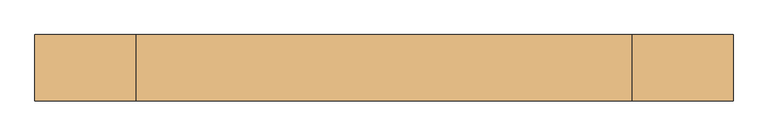
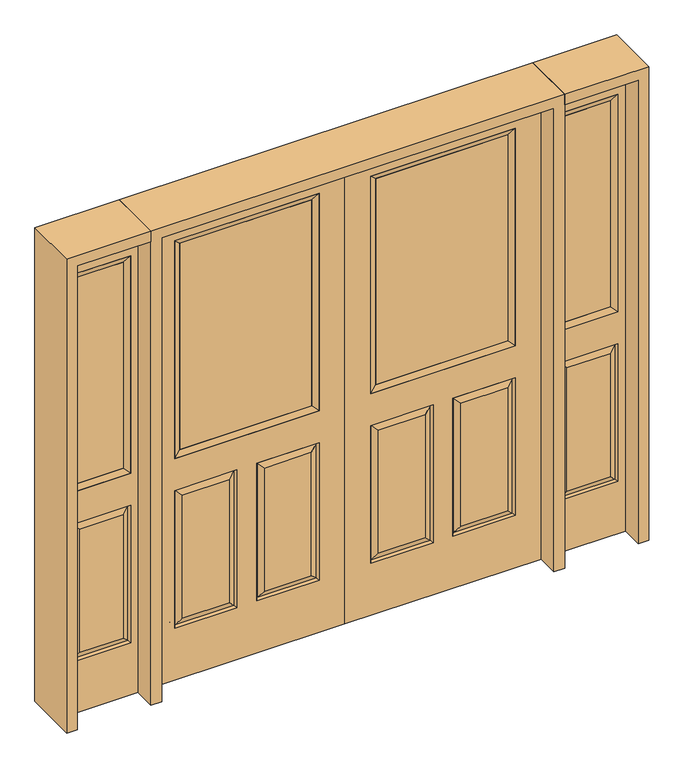
"""IFC4 building model written with IfcOpenShell, lengths in millimetres: door geometry."""

from ifc_helpers import new_model, si_unit, frame, origin, place, context, project, spatial, polyline, outline, extrude, faceted_brep, source, transform, mapped, element, save


def door_ea10d04e(model_context):
    return source(origin(), model_context, "Body", "SolidModel", [
        faceted_brep([(812.8, -22.225, 0.0), (812.8, -22.225, 2032.0), (0.0, -22.225, 2032.0), (0.0, -22.225, 0.0), (705.739, -22.225, 971.55), (107.061, -22.225, 971.55), (107.061, -22.225, 1925.574), (705.739, -22.225, 1925.574), (705.739, -22.225, 831.85), (705.739, -22.225, 228.6), (447.675, -22.225, 228.6), (447.675, -22.225, 831.85), (365.125, -22.225, 831.85), (365.125, -22.225, 228.6), (107.061, -22.225, 228.6), (107.061, -22.225, 831.85), (479.425, -22.225, 800.1), (479.425, -22.225, 260.35), (673.989, -22.225, 260.35), (673.989, -22.225, 800.1), (138.811, -22.225, 800.1), (138.811, -22.225, 260.35), (333.375, -22.225, 260.35), (333.375, -22.225, 800.1), (0.0, 22.225, 0.0), (812.8, 22.225, 0.0), (0.0, 22.225, 2032.0), (812.8, 22.225, 2032.0), (705.739, 22.225, 1925.574), (705.739, 22.225, 971.55), (107.061, 22.225, 971.55), (107.061, 22.225, 1925.574), (447.675, 22.225, 831.85), (447.675, 22.225, 228.6), (705.739, 22.225, 228.6), (705.739, 22.225, 831.85), (107.061, 22.225, 831.85), (107.061, 22.225, 228.6), (365.125, 22.225, 228.6), (365.125, 22.225, 831.85), (673.989, 22.225, 800.1), (673.989, 22.225, 260.35), (479.425, 22.225, 260.35), (479.425, 22.225, 800.1), (333.375, 22.225, 800.1), (333.375, 22.225, 260.35), (138.811, 22.225, 260.35), (138.811, 22.225, 800.1), (698.59525, -12.7449236, 824.70625), (454.81875, -12.7449236, 824.70625), (698.59525, -12.7449236, 235.74375), (454.81875, -12.7449236, 235.74375), (114.20475, -12.7449236, 824.70625), (357.98125, -12.7449236, 824.70625), (357.98125, -12.7449236, 235.74375), (114.20475, -12.7449236, 235.74375), (698.59525, 12.7449236, 824.70625), (454.81875, 12.7449236, 824.70625), (454.81875, 12.7449236, 235.74375), (698.59525, 12.7449236, 235.74375), (114.20475, 12.7449236, 824.70625), (357.98125, 12.7449236, 824.70625), (114.20475, 12.7449236, 235.74375), (357.98125, 12.7449236, 235.74375)], [[[0, 1, 2, 3], [4, 5, 6, 7], [8, 9, 10, 11], [12, 13, 14, 15]], [[16, 17, 18, 19]], [[20, 21, 22, 23]], [[3, 24, 25, 0]], [[2, 26, 24, 3]], [[0, 25, 27, 1]], [[7, 28, 29, 4]], [[5, 30, 31, 6]], [[4, 29, 30, 5]], [[25, 24, 26, 27], [29, 28, 31, 30], [32, 33, 34, 35], [36, 37, 38, 39]], [[40, 41, 42, 43]], [[44, 45, 46, 47]], [[1, 27, 26, 2]], [[6, 31, 28, 7]], [[16, 19, 48, 49]], [[19, 18, 50, 48]], [[51, 50, 18, 17]], [[49, 51, 17, 16]], [[48, 8, 11, 49]], [[11, 10, 51, 49]], [[10, 9, 50, 51]], [[48, 50, 9, 8]], [[52, 20, 23, 53]], [[23, 22, 54, 53]], [[22, 21, 55, 54]], [[52, 55, 21, 20]], [[53, 12, 15, 52]], [[15, 14, 55, 52]], [[54, 55, 14, 13]], [[53, 54, 13, 12]], [[56, 40, 43, 57]], [[43, 42, 58, 57]], [[42, 41, 59, 58]], [[56, 59, 41, 40]], [[57, 32, 35, 56]], [[35, 34, 59, 56]], [[58, 59, 34, 33]], [[57, 58, 33, 32]], [[44, 47, 60, 61]], [[47, 46, 62, 60]], [[63, 62, 46, 45]], [[61, 63, 45, 44]], [[60, 36, 39, 61]], [[39, 38, 63, 61]], [[38, 37, 62, 63]], [[60, 62, 37, 36]]]),
        extrude(outline(polyline([(132.461, -12.7), (132.461, 12.7), (680.339, 12.7), (680.339, -12.7), (132.461, -12.7)])), frame((0.0, 0.0, 996.95), z_axis=(0.0, 0.0, 1.0), x_axis=(1.0, 0.0, 0.0)), (0.0, 0.0, 1.0), 903.224),
        faceted_brep([(705.739, -22.225, 1925.574), (705.739, -22.225, 971.55), (705.739, 22.225, 971.55), (705.739, 22.225, 1925.574), (107.061, -22.225, 971.55), (107.061, 22.225, 971.55), (132.461, 12.7, 996.95), (680.339, 12.7, 996.95), (107.061, -22.225, 1925.574), (107.061, 22.225, 1925.574), (680.339, -12.7, 996.95), (132.461, -12.7, 996.95), (680.339, -12.7, 1900.174), (132.461, -12.7, 1900.174), (680.339, 12.7, 1900.174), (132.461, 12.7, 1900.174)], [[[0, 1, 2, 3]], [[1, 4, 5, 2]], [[2, 5, 6, 7]], [[4, 8, 9, 5]], [[10, 11, 4, 1]], [[12, 10, 1, 0]], [[11, 13, 8, 4]], [[7, 6, 11, 10]], [[14, 7, 10, 12]], [[6, 15, 13, 11]], [[3, 2, 7, 14]], [[5, 9, 15, 6]], [[8, 0, 3, 9]], [[13, 12, 0, 8]], [[15, 14, 12, 13]], [[9, 3, 14, 15]]]),
        faceted_brep([(-812.8, -22.225, 0.0), (0.0, -22.225, 0.0), (0.0, -22.225, 2032.0), (-812.8, -22.225, 2032.0), (-705.739, -22.225, 971.55), (-705.739, -22.225, 1925.574), (-107.061, -22.225, 1925.574), (-107.061, -22.225, 971.55), (-705.739, -22.225, 831.85), (-447.675, -22.225, 831.85), (-447.675, -22.225, 228.6), (-705.739, -22.225, 228.6), (-365.125, -22.225, 831.85), (-107.061, -22.225, 831.85), (-107.061, -22.225, 228.6), (-365.125, -22.225, 228.6), (-479.425, -22.225, 800.1), (-673.989, -22.225, 800.1), (-673.989, -22.225, 260.35), (-479.425, -22.225, 260.35), (-138.811, -22.225, 800.1), (-333.375, -22.225, 800.1), (-333.375, -22.225, 260.35), (-138.811, -22.225, 260.35), (-812.8, 22.225, 0.0), (0.0, 22.225, 0.0), (0.0, 22.225, 2032.0), (-812.8, 22.225, 2032.0), (-705.739, 22.225, 971.55), (-705.739, 22.225, 1925.574), (-107.061, 22.225, 1925.574), (-107.061, 22.225, 971.55), (-447.675, 22.225, 831.85), (-705.739, 22.225, 831.85), (-705.739, 22.225, 228.6), (-447.675, 22.225, 228.6), (-107.061, 22.225, 831.85), (-365.125, 22.225, 831.85), (-365.125, 22.225, 228.6), (-107.061, 22.225, 228.6), (-673.989, 22.225, 800.1), (-479.425, 22.225, 800.1), (-479.425, 22.225, 260.35), (-673.989, 22.225, 260.35), (-333.375, 22.225, 800.1), (-138.811, 22.225, 800.1), (-138.811, 22.225, 260.35), (-333.375, 22.225, 260.35), (-454.81875, -12.7449236, 824.70625), (-698.59525, -12.7449236, 824.70625), (-698.59525, -12.7449236, 235.74375), (-454.81875, -12.7449236, 235.74375), (-114.20475, -12.7449236, 824.70625), (-357.98125, -12.7449236, 824.70625), (-357.98125, -12.7449236, 235.74375), (-114.20475, -12.7449236, 235.74375), (-698.59525, 12.7449236, 824.70625), (-454.81875, 12.7449236, 824.70625), (-454.81875, 12.7449236, 235.74375), (-698.59525, 12.7449236, 235.74375), (-357.98125, 12.7449236, 824.70625), (-114.20475, 12.7449236, 824.70625), (-114.20475, 12.7449236, 235.74375), (-357.98125, 12.7449236, 235.74375)], [[[0, 1, 2, 3], [4, 5, 6, 7], [8, 9, 10, 11], [12, 13, 14, 15]], [[16, 17, 18, 19]], [[20, 21, 22, 23]], [[1, 0, 24, 25]], [[2, 1, 25, 26]], [[0, 3, 27, 24]], [[5, 4, 28, 29]], [[7, 6, 30, 31]], [[4, 7, 31, 28]], [[24, 27, 26, 25], [28, 31, 30, 29], [32, 33, 34, 35], [36, 37, 38, 39]], [[40, 41, 42, 43]], [[44, 45, 46, 47]], [[3, 2, 26, 27]], [[6, 5, 29, 30]], [[16, 48, 49, 17]], [[17, 49, 50, 18]], [[51, 19, 18, 50]], [[48, 16, 19, 51]], [[49, 48, 9, 8]], [[9, 48, 51, 10]], [[10, 51, 50, 11]], [[49, 8, 11, 50]], [[52, 53, 21, 20]], [[21, 53, 54, 22]], [[22, 54, 55, 23]], [[52, 20, 23, 55]], [[53, 52, 13, 12]], [[13, 52, 55, 14]], [[54, 15, 14, 55]], [[53, 12, 15, 54]], [[56, 57, 41, 40]], [[41, 57, 58, 42]], [[42, 58, 59, 43]], [[56, 40, 43, 59]], [[57, 56, 33, 32]], [[33, 56, 59, 34]], [[58, 35, 34, 59]], [[57, 32, 35, 58]], [[44, 60, 61, 45]], [[45, 61, 62, 46]], [[63, 47, 46, 62]], [[60, 44, 47, 63]], [[61, 60, 37, 36]], [[37, 60, 63, 38]], [[38, 63, 62, 39]], [[61, 36, 39, 62]]]),
        extrude(outline(polyline([(-132.461, -12.7), (-680.339, -12.7), (-680.339, 12.7), (-132.461, 12.7), (-132.461, -12.7)])), frame((0.0, 0.0, 996.95), z_axis=(0.0, 0.0, 1.0), x_axis=(1.0, 0.0, 0.0)), (0.0, 0.0, 1.0), 903.224),
        faceted_brep([(-705.739, -22.225, 1925.574), (-705.739, 22.225, 1925.574), (-705.739, 22.225, 971.55), (-705.739, -22.225, 971.55), (-107.061, 22.225, 971.55), (-107.061, -22.225, 971.55), (-680.339, 12.7, 996.95), (-132.461, 12.7, 996.95), (-107.061, 22.225, 1925.574), (-107.061, -22.225, 1925.574), (-680.339, -12.7, 996.95), (-132.461, -12.7, 996.95), (-680.339, -12.7, 1900.174), (-132.461, -12.7, 1900.174), (-680.339, 12.7, 1900.174), (-132.461, 12.7, 1900.174)], [[[0, 1, 2, 3]], [[3, 2, 4, 5]], [[2, 6, 7, 4]], [[5, 4, 8, 9]], [[10, 3, 5, 11]], [[12, 0, 3, 10]], [[11, 5, 9, 13]], [[6, 10, 11, 7]], [[14, 12, 10, 6]], [[7, 11, 13, 15]], [[1, 14, 6, 2]], [[4, 7, 15, 8]], [[9, 8, 1, 0]], [[13, 9, 0, 12]], [[15, 13, 12, 14]], [[8, 15, 14, 1]]]),
        faceted_brep([(1162.05, -22.225, 0.0), (1162.05, -22.225, 2032.0), (857.25, -22.225, 2032.0), (857.25, -22.225, 0.0), (888.238, -22.225, 1925.574), (1131.062, -22.225, 1925.574), (1131.062, -22.225, 971.55), (888.238, -22.225, 971.55), (888.238, -22.225, 228.6), (888.238, -22.225, 831.85), (1131.062, -22.225, 831.85), (1131.062, -22.225, 228.6), (1099.1559872, -22.225, 260.5060128), (1099.1559872, -22.225, 799.9439872), (920.1440128, -22.225, 799.9439872), (920.1440128, -22.225, 260.5060128), (857.25, 22.225, 0.0), (1162.05, 22.225, 0.0), (857.25, 22.225, 2032.0), (1162.05, 22.225, 2032.0), (888.238, 22.225, 971.55), (888.238, 22.225, 1925.574), (1131.062, 22.225, 971.55), (1131.062, 22.225, 1925.574), (1131.062, 22.225, 228.6), (1131.062, 22.225, 831.85), (888.238, 22.225, 831.85), (888.238, 22.225, 228.6), (920.1440128, 22.225, 260.5060128), (920.1440128, 22.225, 799.9439872), (1099.1559872, 22.225, 799.9439872), (1099.1559872, 22.225, 260.5060128), (1124.1419933, -13.0418409, 235.5200067), (895.1580067, -13.0418409, 235.5200067), (1124.1419933, -13.0418409, 824.9299933), (895.1580067, -13.0418409, 824.9299933), (1124.1419933, 13.0418409, 235.5200067), (895.1580067, 13.0418409, 235.5200067), (895.1580067, 13.0418409, 824.9299933), (1124.1419933, 13.0418409, 824.9299933)], [[[0, 1, 2, 3], [4, 5, 6, 7], [8, 9, 10, 11]], [[12, 13, 14, 15]], [[3, 16, 17, 0]], [[2, 18, 16, 3]], [[0, 17, 19, 1]], [[7, 20, 21, 4]], [[6, 22, 20, 7]], [[5, 23, 22, 6]], [[17, 16, 18, 19], [21, 20, 22, 23], [24, 25, 26, 27]], [[28, 29, 30, 31]], [[1, 19, 18, 2]], [[4, 21, 23, 5]], [[8, 11, 32, 33]], [[11, 10, 34, 32]], [[35, 34, 10, 9]], [[33, 35, 9, 8]], [[32, 12, 15, 33]], [[15, 14, 35, 33]], [[14, 13, 34, 35]], [[32, 34, 13, 12]], [[36, 24, 27, 37]], [[27, 26, 38, 37]], [[26, 25, 39, 38]], [[36, 39, 25, 24]], [[37, 28, 31, 36]], [[31, 30, 39, 36]], [[38, 39, 30, 29]], [[37, 38, 29, 28]]]),
        extrude(outline(polyline([(913.638, -12.7), (913.638, 12.7), (1105.662, 12.7), (1105.662, -12.7), (913.638, -12.7)])), frame((0.0, 0.0, 996.95), z_axis=(0.0, 0.0, 1.0), x_axis=(1.0, 0.0, 0.0)), (0.0, 0.0, 1.0), 903.224),
        faceted_brep([(1131.062, -22.225, 1925.574), (1131.062, -22.225, 971.55), (1131.062, 22.225, 971.55), (1131.062, 22.225, 1925.574), (888.238, -22.225, 971.55), (888.238, 22.225, 971.55), (913.638, 12.7, 996.95), (1105.662, 12.7, 996.95), (888.238, -22.225, 1925.574), (888.238, 22.225, 1925.574), (1105.662, -12.7, 996.95), (913.638, -12.7, 996.95), (1105.662, -12.7, 1900.174), (913.638, -12.7, 1900.174), (1105.662, 12.7, 1900.174), (913.638, 12.7, 1900.174)], [[[0, 1, 2, 3]], [[1, 4, 5, 2]], [[2, 5, 6, 7]], [[4, 8, 9, 5]], [[10, 11, 4, 1]], [[12, 10, 1, 0]], [[11, 13, 8, 4]], [[7, 6, 11, 10]], [[14, 7, 10, 12]], [[6, 15, 13, 11]], [[3, 2, 7, 14]], [[5, 9, 15, 6]], [[8, 0, 3, 9]], [[13, 12, 0, 8]], [[15, 14, 12, 13]], [[9, 3, 14, 15]]]),
        faceted_brep([(-1162.05, -22.225, 0.0), (-857.25, -22.225, 0.0), (-857.25, -22.225, 2032.0), (-1162.05, -22.225, 2032.0), (-888.238, -22.225, 1925.574), (-888.238, -22.225, 971.55), (-1131.062, -22.225, 971.55), (-1131.062, -22.225, 1925.574), (-888.238, -22.225, 228.6), (-1131.062, -22.225, 228.6), (-1131.062, -22.225, 831.85), (-888.238, -22.225, 831.85), (-1099.1559872, -22.225, 260.5060128), (-920.1440128, -22.225, 260.5060128), (-920.1440128, -22.225, 799.9439872), (-1099.1559872, -22.225, 799.9439872), (-1162.05, 22.225, 0.0), (-857.25, 22.225, 0.0), (-857.25, 22.225, 2032.0), (-1162.05, 22.225, 2032.0), (-888.238, 22.225, 1925.574), (-888.238, 22.225, 971.55), (-1131.062, 22.225, 971.55), (-1131.062, 22.225, 1925.574), (-1131.062, 22.225, 228.6), (-888.238, 22.225, 228.6), (-888.238, 22.225, 831.85), (-1131.062, 22.225, 831.85), (-920.1440128, 22.225, 260.5060128), (-1099.1559872, 22.225, 260.5060128), (-1099.1559872, 22.225, 799.9439872), (-920.1440128, 22.225, 799.9439872), (-895.1580067, -13.0418409, 235.5200067), (-1124.1419933, -13.0418409, 235.5200067), (-1124.1419933, -13.0418409, 824.9299933), (-895.1580067, -13.0418409, 824.9299933), (-1124.1419933, 13.0418409, 235.5200067), (-895.1580067, 13.0418409, 235.5200067), (-895.1580067, 13.0418409, 824.9299933), (-1124.1419933, 13.0418409, 824.9299933)], [[[0, 1, 2, 3], [4, 5, 6, 7], [8, 9, 10, 11]], [[12, 13, 14, 15]], [[1, 0, 16, 17]], [[2, 1, 17, 18]], [[0, 3, 19, 16]], [[5, 4, 20, 21]], [[6, 5, 21, 22]], [[7, 6, 22, 23]], [[16, 19, 18, 17], [20, 23, 22, 21], [24, 25, 26, 27]], [[28, 29, 30, 31]], [[3, 2, 18, 19]], [[4, 7, 23, 20]], [[8, 32, 33, 9]], [[9, 33, 34, 10]], [[35, 11, 10, 34]], [[32, 8, 11, 35]], [[33, 32, 13, 12]], [[13, 32, 35, 14]], [[14, 35, 34, 15]], [[33, 12, 15, 34]], [[36, 37, 25, 24]], [[25, 37, 38, 26]], [[26, 38, 39, 27]], [[36, 24, 27, 39]], [[37, 36, 29, 28]], [[29, 36, 39, 30]], [[38, 31, 30, 39]], [[37, 28, 31, 38]]]),
        extrude(outline(polyline([(-913.638, -12.7), (-1105.662, -12.7), (-1105.662, 12.7), (-913.638, 12.7), (-913.638, -12.7)])), frame((0.0, 0.0, 996.95), z_axis=(0.0, 0.0, 1.0), x_axis=(1.0, 0.0, 0.0)), (0.0, 0.0, 1.0), 903.224),
        faceted_brep([(-1131.062, -22.225, 1925.574), (-1131.062, 22.225, 1925.574), (-1131.062, 22.225, 971.55), (-1131.062, -22.225, 971.55), (-888.238, 22.225, 971.55), (-888.238, -22.225, 971.55), (-1105.662, 12.7, 996.95), (-913.638, 12.7, 996.95), (-888.238, 22.225, 1925.574), (-888.238, -22.225, 1925.574), (-1105.662, -12.7, 996.95), (-913.638, -12.7, 996.95), (-1105.662, -12.7, 1900.174), (-913.638, -12.7, 1900.174), (-1105.662, 12.7, 1900.174), (-913.638, 12.7, 1900.174)], [[[0, 1, 2, 3]], [[3, 2, 4, 5]], [[2, 6, 7, 4]], [[5, 4, 8, 9]], [[10, 3, 5, 11]], [[12, 0, 3, 10]], [[11, 5, 9, 13]], [[6, 10, 11, 7]], [[14, 12, 10, 6]], [[7, 11, 13, 15]], [[1, 14, 6, 2]], [[4, 7, 15, 8]], [[9, 8, 1, 0]], [[13, 9, 0, 12]], [[15, 13, 12, 14]], [[8, 15, 14, 1]]]),
        extrude(outline(polyline([(2032.0, -857.25), (2076.45, -857.25), (2076.45, -1206.5), (0.0, -1206.5), (0.0, -1162.05), (2032.0, -1162.05), (2032.0, -857.25)])), frame((0.0, -114.3, 0.0), z_axis=(0.0, 1.0, 0.0), x_axis=(0.0, 0.0, 1.0)), (0.0, 0.0, 1.0), 228.6),
        extrude(outline(polyline([(2076.45, 857.25), (2032.0, 857.25), (2032.0, 1162.05), (0.0, 1162.05), (0.0, 1206.5), (2076.45, 1206.5), (2076.45, 857.25)])), frame((0.0, -114.3, 0.0), z_axis=(0.0, 1.0, 0.0), x_axis=(0.0, 0.0, 1.0)), (0.0, 0.0, 1.0), 228.6),
        extrude(outline(polyline([(0.0, -857.25), (0.0, -812.8), (2032.0, -812.8), (2032.0, 812.8), (0.0, 812.8), (0.0, 857.25), (2076.45, 857.25), (2076.45, -857.25), (0.0, -857.25)])), frame((0.0, -114.3, 0.0), z_axis=(0.0, 1.0, 0.0), x_axis=(0.0, 0.0, 1.0)), (0.0, 0.0, 1.0), 228.6),
    ])


if __name__ == "__main__":
    model = new_model("IFC4")
    model_context = context("Model", 3, world=origin())
    ifc_project = project(units=[si_unit("LENGTHUNIT", "METRE", prefix="MILLI")], contexts=[model_context])
    site = spatial("IfcSite", under=ifc_project)
    building = spatial("IfcBuilding", under=site)
    placement = place(None, origin())
    door_shape = door_ea10d04e(model_context)
    element("IfcDoor", 1, at=placement, inside=building, context=model_context, shape_type="MappedRepresentation", body=[
        mapped(door_shape, transform((0.0, 0.0, 0.0), x_axis=(1.0, 0.0, 0.0), y_axis=(0.0, 1.0, 0.0), z_axis=(0.0, 0.0, 1.0))),
    ])
    save(model, "model.ifc")
